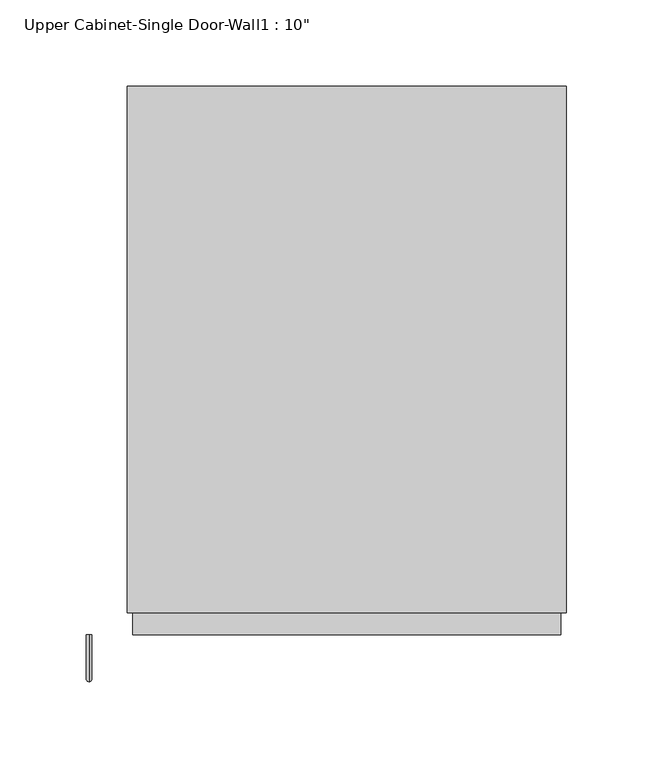
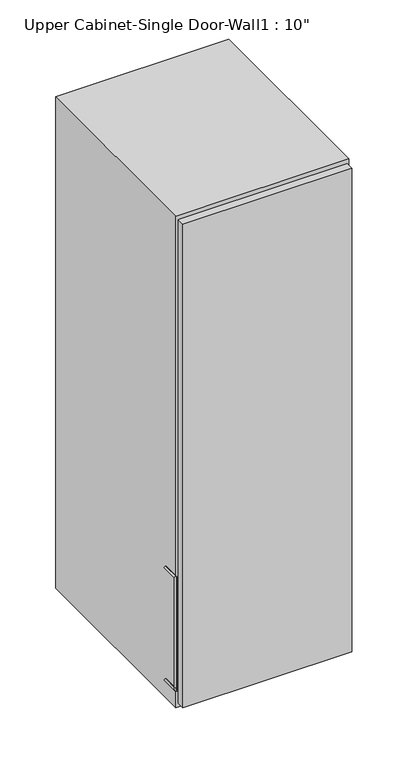
"""IFC4 building model written with IfcOpenShell, lengths in millimetres: furniture geometry."""

from ifc_helpers import new_model, si_unit, frame, origin, place, context, project, spatial, polyline, circle_curve, ellipse_curve, outline, extrude, faceted_brep, source, transform, mapped, element, save
from ifc_brep_helpers import plane_surface, cylinder_surface, advanced_brep


def furniture_2dccec0d(model_context):
    return source(origin(), model_context, "Body", "SolidModel", [
        advanced_brep(
        [(-119.4538372, -379.4125, 1431.925), (-119.4538372, -379.4125, 1428.75), (-119.4538372, -406.4, 1428.75), (-119.4538372, -403.225, 1431.925), (-119.4538372, -406.4, 1606.55), (-119.4538372, -403.225, 1603.375), (-119.4538372, -379.4125, 1603.375), (-119.4538372, -379.4125, 1606.55)],
        [
            (0, 1, circle_curve(frame((-119.4538372, -379.4125, 1430.3375), z_axis=(0.0, 1.0, 0.0), x_axis=(0.0, 0.0, -1.0)), 1.5875)),
            (1, 0, circle_curve(frame((-119.4538372, -379.4125, 1430.3375), z_axis=(0.0, 1.0, 0.0), x_axis=(0.0, 0.0, -1.0)), 1.5875)),
            (1, 2),
            (2, 3, ellipse_curve(frame((-119.4538372, -404.8125, 1430.3375), z_axis=(0.0, 0.7071067811865498, -0.7071067811865454), x_axis=(0.0, 0.7071067811865451, 0.7071067811865498)), 2.245064, 1.5875)),
            (3, 0),
            (3, 2, ellipse_curve(frame((-119.4538372, -404.8125, 1430.3375), z_axis=(0.0, 0.7071067811865498, -0.7071067811865454), x_axis=(0.0, 0.7071067811865451, 0.7071067811865498)), 2.245064, 1.5875)),
            (2, 4),
            (4, 5, ellipse_curve(frame((-119.4538372, -404.8125, 1604.9625), z_axis=(0.0, -0.7071067811865452, -0.7071067811865497), x_axis=(0.0, 0.7071067811865496, -0.7071067811865455)), 2.245064, 1.5875)),
            (5, 3),
            (5, 4, ellipse_curve(frame((-119.4538372, -404.8125, 1604.9625), z_axis=(0.0, -0.7071067811865452, -0.7071067811865497), x_axis=(0.0, 0.7071067811865496, -0.7071067811865455)), 2.245064, 1.5875)),
            (6, 7, circle_curve(frame((-119.4538372, -379.4125, 1604.9625), z_axis=(0.0, 1.0, 0.0), x_axis=(0.0, 0.0, 1.0)), 1.5875)),
            (7, 6, circle_curve(frame((-119.4538372, -379.4125, 1604.9625), z_axis=(0.0, 1.0, 0.0), x_axis=(0.0, 0.0, 1.0)), 1.5875)),
            (4, 7),
            (6, 5),
        ],
        [
            plane_surface(frame((-119.4538372, -379.4125, 1430.3375), z_axis=(0.0, 1.0, 0.0), x_axis=(-1.0, 0.0, 0.0))),
            cylinder_surface(frame((-119.4538372, -379.4125, 1430.3375), z_axis=(0.0, 1.0, 0.0), x_axis=(0.0, 0.0, -1.0)), 1.5875),
            cylinder_surface(frame((-119.4538372, -404.8125, 1430.3375), z_axis=(0.0, 0.0, -1.0), x_axis=(0.0, -1.0, 0.0)), 1.5875),
            plane_surface(frame((-119.4538372, -379.4125, 1604.9625), z_axis=(0.0, 1.0, 0.0), x_axis=(-1.0, 0.0, 0.0))),
            cylinder_surface(frame((-119.4538372, -404.8125, 1604.9625), z_axis=(0.0, -1.0, 0.0), x_axis=(0.0, 0.0, 1.0)), 1.5875),
        ],
        [
            (0, [[1, 2]]),
            (1, [[3, 4, 5, -2]]),
            (1, [[-5, 6, -3, -1]]),
            (2, [[7, 8, 9, -4]]),
            (2, [[-9, 10, -7, -6]]),
            (3, [[11, 12]]),
            (4, [[13, -11, 14, -8]]),
            (4, [[-14, -12, -13, -10]]),
        ],
    ),
        faceted_brep([(-97.2288372, -61.9125, 2133.6), (156.7711628, -61.9125, 2133.6), (156.7711628, -61.9125, 1371.6), (-97.2288372, -61.9125, 1371.6), (-97.2288372, -366.7125, 2133.6), (-97.2288372, -366.7125, 1371.6), (156.7711628, -366.7125, 1371.6), (156.7711628, -366.7125, 2133.6), (-78.1788372, -366.7125, 2114.55), (137.7211628, -366.7125, 2114.55), (137.7211628, -366.7125, 1390.65), (-78.1788372, -366.7125, 1390.65), (-78.1788372, -80.9625, 2114.55), (137.7211628, -80.9625, 2114.55), (137.7211628, -80.9625, 1390.65), (-78.1788372, -80.9625, 1390.65)], [[[0, 1, 2, 3]], [[4, 5, 6, 7], [8, 9, 10, 11]], [[3, 5, 4, 0]], [[2, 6, 5, 3]], [[1, 7, 6, 2]], [[0, 4, 7, 1]], [[8, 12, 13, 9]], [[9, 13, 14, 10]], [[10, 14, 15, 11]], [[11, 15, 12, 8]], [[12, 15, 14, 13]]]),
        extrude(outline(polyline([(-94.0538372, -379.4125), (-94.0538372, -347.6625), (153.5961628, -347.6625), (153.5961628, -379.4125), (-94.0538372, -379.4125)])), frame((0.0, 0.0, 1377.95), z_axis=(0.0, 0.0, 1.0), x_axis=(1.0, 0.0, 0.0)), (0.0, 0.0, 1.0), 749.3),
    ])


if __name__ == "__main__":
    model = new_model("IFC4")
    model_context = context("Model", 3, world=origin())
    ifc_project = project(units=[si_unit("LENGTHUNIT", "METRE", prefix="MILLI")], contexts=[model_context])
    site = spatial("IfcSite", under=ifc_project)
    building = spatial("IfcBuilding", under=site)
    placement = place(None, origin())
    furniture_shape = furniture_2dccec0d(model_context)
    element("IfcFurniture", 1, ObjectType="Upper Cabinet-Single Door-Wall1 : 10\"", at=placement, inside=building, context=model_context, shape_type="MappedRepresentation", body=[
        mapped(furniture_shape, transform((0.0, 0.0, 0.0), x_axis=(1.0, 0.0, 0.0), y_axis=(0.0, 1.0, 0.0), z_axis=(0.0, 0.0, 1.0))),
    ])
    save(model, "model.ifc")
